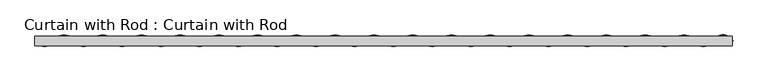
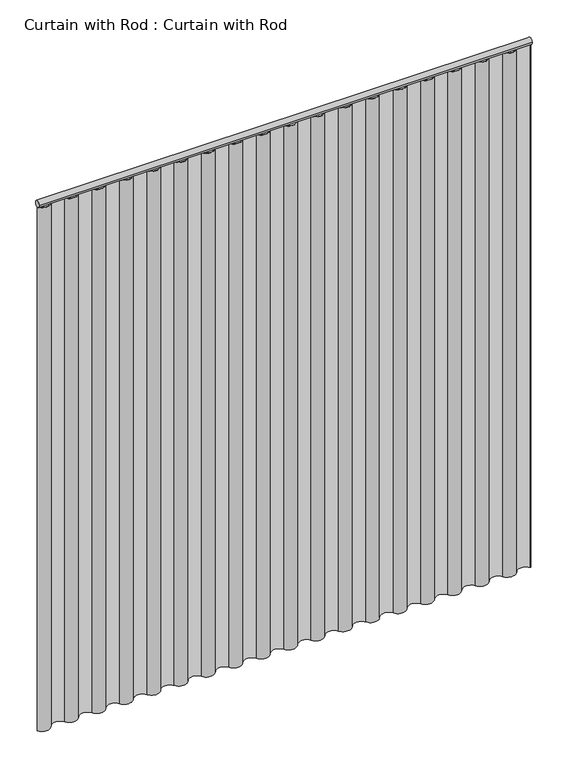
"""IFC4 building model written with IfcOpenShell, lengths in millimetres: proxy geometry, Curtain with Rod : Curtain with Rod."""

from ifc_helpers import new_model, si_unit, point, frame, frame_2d, origin, origin_with_axes, place, context, project, spatial, polyline, circle_curve, trimmed, segment, composite_curve, outline, extrude, source, transform, mapped, element, save


def curtain_with_rod_curtain_with_rod_620b0c98(model_context):
    return source(origin(), model_context, "Body", "SweptSolid", [
        extrude(outline(composite_curve([segment(trimmed(circle_curve(frame_2d((0.0, 2171.7)), 12.7), [point((12.7, 2171.7))], [point((-12.7, 2171.7))], False, "CARTESIAN"), True, "CONTINUOUS"), segment(trimmed(circle_curve(frame_2d((0.0, 2171.7)), 12.7), [point((-12.7, 2171.7))], [point((12.7, 2171.7))], False, "CARTESIAN"), True, "CONTINUOUS")], self_intersect=False)), frame((-961.6428061, 0.0, 0.0), z_axis=(1.0, 0.0, 0.0), x_axis=(0.0, 1.0, 0.0)), (0.0, 0.0, 1.0), 1923.2856122),
        extrude(outline(composite_curve([segment(trimmed(circle_curve(frame_2d((-934.9305059, 15.9107277)), 31.0917712), [point((-908.2182058, 0.0))], [point((-961.6428061, 0.0))], False, "CARTESIAN"), True, "CONTINUOUS"), segment(polyline([(-961.6428061, 0.0), (-959.7764046, 0.0)]), True, "CONTINUOUS"), segment(trimmed(circle_curve(frame_2d((-934.9305059, 15.9107277)), 29.5037275), [point((-959.7764046, 0.0))], [point((-909.5829738, 0.8119678))], True, "CARTESIAN"), True, "CONTINUOUS"), segment(trimmed(circle_curve(frame_2d((-881.5059056, -15.8809613)), 32.664593), [point((-909.5829738, 0.8119678))], [point((-853.4285793, 0.8115335))], False, "CARTESIAN"), True, "CONTINUOUS"), segment(trimmed(circle_curve(frame_2d((-828.0813052, 15.8809613)), 29.4885054), [point((-853.4285793, 0.8115335))], [point((-802.7340312, 0.8115335))], True, "CARTESIAN"), True, "CONTINUOUS"), segment(trimmed(circle_curve(frame_2d((-774.6567049, -15.8809613)), 32.664593), [point((-802.7340312, 0.8115335))], [point((-746.5793786, 0.8115335))], False, "CARTESIAN"), True, "CONTINUOUS"), segment(trimmed(circle_curve(frame_2d((-721.2321046, 15.8809613)), 29.4885054), [point((-746.5793786, 0.8115335))], [point((-695.8848306, 0.8115335))], True, "CARTESIAN"), True, "CONTINUOUS"), segment(trimmed(circle_curve(frame_2d((-667.8075042, -15.8809613)), 32.664593), [point((-695.8848306, 0.8115335))], [point((-639.7301779, 0.8115335))], False, "CARTESIAN"), True, "CONTINUOUS"), segment(trimmed(circle_curve(frame_2d((-614.3829039, 15.8809613)), 29.4885054), [point((-639.7301779, 0.8115335))], [point((-589.0356299, 0.8115335))], True, "CARTESIAN"), True, "CONTINUOUS"), segment(trimmed(circle_curve(frame_2d((-560.9583036, -15.8809613)), 32.664593), [point((-589.0356299, 0.8115335))], [point((-532.8809772, 0.8115335))], False, "CARTESIAN"), True, "CONTINUOUS"), segment(trimmed(circle_curve(frame_2d((-507.5337032, 15.8809613)), 29.4885054), [point((-532.8809772, 0.8115335))], [point((-482.1864292, 0.8115335))], True, "CARTESIAN"), True, "CONTINUOUS"), segment(trimmed(circle_curve(frame_2d((-454.1091029, -15.8809613)), 32.664593), [point((-482.1864292, 0.8115335))], [point((-426.0317766, 0.8115335))], False, "CARTESIAN"), True, "CONTINUOUS"), segment(trimmed(circle_curve(frame_2d((-400.6845025, 15.8809613)), 29.4885054), [point((-426.0317766, 0.8115335))], [point((-375.3372285, 0.8115335))], True, "CARTESIAN"), True, "CONTINUOUS"), segment(trimmed(circle_curve(frame_2d((-347.2599022, -15.8809613)), 32.664593), [point((-375.3372285, 0.8115335))], [point((-319.1825759, 0.8115335))], False, "CARTESIAN"), True, "CONTINUOUS"), segment(trimmed(circle_curve(frame_2d((-293.8353019, 15.8809613)), 29.4885054), [point((-319.1825759, 0.8115335))], [point((-268.4880279, 0.8115335))], True, "CARTESIAN"), True, "CONTINUOUS"), segment(trimmed(circle_curve(frame_2d((-240.4107015, -15.8809613)), 32.664593), [point((-268.4880279, 0.8115335))], [point((-212.3333752, 0.8115335))], False, "CARTESIAN"), True, "CONTINUOUS"), segment(trimmed(circle_curve(frame_2d((-186.9861012, 15.8809613)), 29.4885054), [point((-212.3333752, 0.8115335))], [point((-161.6388272, 0.8115335))], True, "CARTESIAN"), True, "CONTINUOUS"), segment(trimmed(circle_curve(frame_2d((-133.5615008, -15.8809613)), 32.664593), [point((-161.6388272, 0.8115335))], [point((-105.4841745, 0.8115335))], False, "CARTESIAN"), True, "CONTINUOUS"), segment(trimmed(circle_curve(frame_2d((-80.1369005, 15.8809613)), 29.4885054), [point((-105.4841745, 0.8115335))], [point((-54.7896265, 0.8115335))], True, "CARTESIAN"), True, "CONTINUOUS"), segment(trimmed(circle_curve(frame_2d((-26.7123002, -15.8809613)), 32.664593), [point((-54.7896265, 0.8115335))], [point((1.3650262, 0.8115335))], False, "CARTESIAN"), True, "CONTINUOUS"), segment(trimmed(circle_curve(frame_2d((26.7123002, 15.8809613)), 29.4885054), [point((1.3650262, 0.8115335))], [point((52.0595742, 0.8115335))], True, "CARTESIAN"), True, "CONTINUOUS"), segment(trimmed(circle_curve(frame_2d((80.1369005, -15.8809613)), 32.664593), [point((52.0595742, 0.8115335))], [point((108.2142268, 0.8115335))], False, "CARTESIAN"), True, "CONTINUOUS"), segment(trimmed(circle_curve(frame_2d((133.5615008, 15.8809613)), 29.4885054), [point((108.2142268, 0.8115335))], [point((158.9087749, 0.8115335))], True, "CARTESIAN"), True, "CONTINUOUS"), segment(trimmed(circle_curve(frame_2d((186.9861012, -15.8809613)), 32.664593), [point((158.9087749, 0.8115335))], [point((215.0634275, 0.8115335))], False, "CARTESIAN"), True, "CONTINUOUS"), segment(trimmed(circle_curve(frame_2d((240.4107015, 15.8809613)), 29.4885054), [point((215.0634275, 0.8115335))], [point((265.7579755, 0.8115335))], True, "CARTESIAN"), True, "CONTINUOUS"), segment(trimmed(circle_curve(frame_2d((293.8353019, -15.8809613)), 32.664593), [point((265.7579755, 0.8115335))], [point((321.9126282, 0.8115335))], False, "CARTESIAN"), True, "CONTINUOUS"), segment(trimmed(circle_curve(frame_2d((347.2599022, 15.8809613)), 29.4885054), [point((321.9126282, 0.8115335))], [point((372.6071762, 0.8115335))], True, "CARTESIAN"), True, "CONTINUOUS"), segment(trimmed(circle_curve(frame_2d((400.6845025, -15.8809613)), 32.664593), [point((372.6071762, 0.8115335))], [point((428.7618289, 0.8115335))], False, "CARTESIAN"), True, "CONTINUOUS"), segment(trimmed(circle_curve(frame_2d((454.1091029, 15.8809613)), 29.4885054), [point((428.7618289, 0.8115335))], [point((479.4563769, 0.8115335))], True, "CARTESIAN"), True, "CONTINUOUS"), segment(trimmed(circle_curve(frame_2d((507.5337032, -15.8809613)), 32.664593), [point((479.4563769, 0.8115335))], [point((535.6110295, 0.8115335))], False, "CARTESIAN"), True, "CONTINUOUS"), segment(trimmed(circle_curve(frame_2d((560.9583036, 15.8809613)), 29.4885054), [point((535.6110295, 0.8115335))], [point((586.3055776, 0.8115335))], True, "CARTESIAN"), True, "CONTINUOUS"), segment(trimmed(circle_curve(frame_2d((614.3829039, -15.8809613)), 32.664593), [point((586.3055776, 0.8115335))], [point((642.4602302, 0.8115335))], False, "CARTESIAN"), True, "CONTINUOUS"), segment(trimmed(circle_curve(frame_2d((667.8075042, 15.8809613)), 29.4885054), [point((642.4602302, 0.8115335))], [point((693.1547782, 0.8115335))], True, "CARTESIAN"), True, "CONTINUOUS"), segment(trimmed(circle_curve(frame_2d((721.2321046, -15.8809613)), 32.664593), [point((693.1547782, 0.8115335))], [point((749.3094309, 0.8115335))], False, "CARTESIAN"), True, "CONTINUOUS"), segment(trimmed(circle_curve(frame_2d((774.6567049, 15.8809613)), 29.4885054), [point((749.3094309, 0.8115335))], [point((800.0039789, 0.8115335))], True, "CARTESIAN"), True, "CONTINUOUS"), segment(trimmed(circle_curve(frame_2d((828.0813052, -15.8809613)), 32.664593), [point((800.0039789, 0.8115335))], [point((856.1586316, 0.8115335))], False, "CARTESIAN"), True, "CONTINUOUS"), segment(trimmed(circle_curve(frame_2d((881.5059056, 15.8809613)), 29.4885054), [point((856.1586316, 0.8115335))], [point((906.8592902, 0.8218165))], True, "CARTESIAN"), True, "CONTINUOUS"), segment(trimmed(circle_curve(frame_2d((934.9305059, -15.8516381)), 32.6496131), [point((906.8592902, 0.8218165))], [point((963.4738555, 0.0))], False, "CARTESIAN"), True, "CONTINUOUS"), segment(polyline([(963.4738555, 0.0), (961.6428061, 0.0)]), True, "CONTINUOUS"), segment(trimmed(circle_curve(frame_2d((934.9305059, -15.8516381)), 31.0615745), [point((961.6428061, 0.0))], [point((908.2182058, 0.0))], True, "CARTESIAN"), True, "CONTINUOUS"), segment(trimmed(circle_curve(frame_2d((881.5059056, 15.8809613)), 31.0765492), [point((908.2182058, 0.0))], [point((854.7936054, 0.0))], False, "CARTESIAN"), True, "CONTINUOUS"), segment(trimmed(circle_curve(frame_2d((828.0813052, -15.8809613)), 31.0765492), [point((854.7936054, 0.0))], [point((801.3690051, 0.0))], True, "CARTESIAN"), True, "CONTINUOUS"), segment(trimmed(circle_curve(frame_2d((774.6567049, 15.8809613)), 31.0765492), [point((801.3690051, 0.0))], [point((747.9444047, 0.0))], False, "CARTESIAN"), True, "CONTINUOUS"), segment(trimmed(circle_curve(frame_2d((721.2321046, -15.8809613)), 31.0765492), [point((747.9444047, 0.0))], [point((694.5198044, 0.0))], True, "CARTESIAN"), True, "CONTINUOUS"), segment(trimmed(circle_curve(frame_2d((667.8075042, 15.8809613)), 31.0765492), [point((694.5198044, 0.0))], [point((641.0952041, 0.0))], False, "CARTESIAN"), True, "CONTINUOUS"), segment(trimmed(circle_curve(frame_2d((614.3829039, -15.8809613)), 31.0765492), [point((641.0952041, 0.0))], [point((587.6706037, 0.0))], True, "CARTESIAN"), True, "CONTINUOUS"), segment(trimmed(circle_curve(frame_2d((560.9583036, 15.8809613)), 31.0765492), [point((587.6706037, 0.0))], [point((534.2460034, 0.0))], False, "CARTESIAN"), True, "CONTINUOUS"), segment(trimmed(circle_curve(frame_2d((507.5337032, -15.8809613)), 31.0765492), [point((534.2460034, 0.0))], [point((480.821403, 0.0))], True, "CARTESIAN"), True, "CONTINUOUS"), segment(trimmed(circle_curve(frame_2d((454.1091029, 15.8809613)), 31.0765492), [point((480.821403, 0.0))], [point((427.3968027, 0.0))], False, "CARTESIAN"), True, "CONTINUOUS"), segment(trimmed(circle_curve(frame_2d((400.6845025, -15.8809613)), 31.0765492), [point((427.3968027, 0.0))], [point((373.9722024, 0.0))], True, "CARTESIAN"), True, "CONTINUOUS"), segment(trimmed(circle_curve(frame_2d((347.2599022, 15.8809613)), 31.0765492), [point((373.9722024, 0.0))], [point((320.547602, 0.0))], False, "CARTESIAN"), True, "CONTINUOUS"), segment(trimmed(circle_curve(frame_2d((293.8353019, -15.8809613)), 31.0765492), [point((320.547602, 0.0))], [point((267.1230017, 0.0))], True, "CARTESIAN"), True, "CONTINUOUS"), segment(trimmed(circle_curve(frame_2d((240.4107015, 15.8809613)), 31.0765492), [point((267.1230017, 0.0))], [point((213.6984014, 0.0))], False, "CARTESIAN"), True, "CONTINUOUS"), segment(trimmed(circle_curve(frame_2d((186.9861012, -15.8809613)), 31.0765492), [point((213.6984014, 0.0))], [point((160.273801, 0.0))], True, "CARTESIAN"), True, "CONTINUOUS"), segment(trimmed(circle_curve(frame_2d((133.5615008, 15.8809613)), 31.0765492), [point((160.273801, 0.0))], [point((106.8492007, 0.0))], False, "CARTESIAN"), True, "CONTINUOUS"), segment(trimmed(circle_curve(frame_2d((80.1369005, -15.8809613)), 31.0765492), [point((106.8492007, 0.0))], [point((53.4246003, 0.0))], True, "CARTESIAN"), True, "CONTINUOUS"), segment(trimmed(circle_curve(frame_2d((26.7123002, 15.8809613)), 31.0765492), [point((53.4246003, 0.0))], [point((0.0, 0.0))], False, "CARTESIAN"), True, "CONTINUOUS"), segment(trimmed(circle_curve(frame_2d((-26.7123002, -15.8809613)), 31.0765492), [point((0.0, 0.0))], [point((-53.4246003, 0.0))], True, "CARTESIAN"), True, "CONTINUOUS"), segment(trimmed(circle_curve(frame_2d((-80.1369005, 15.8809613)), 31.0765492), [point((-53.4246003, 0.0))], [point((-106.8492007, 0.0))], False, "CARTESIAN"), True, "CONTINUOUS"), segment(trimmed(circle_curve(frame_2d((-133.5615008, -15.8809613)), 31.0765492), [point((-106.8492007, 0.0))], [point((-160.273801, 0.0))], True, "CARTESIAN"), True, "CONTINUOUS"), segment(trimmed(circle_curve(frame_2d((-186.9861012, 15.8809613)), 31.0765492), [point((-160.273801, 0.0))], [point((-213.6984014, 0.0))], False, "CARTESIAN"), True, "CONTINUOUS"), segment(trimmed(circle_curve(frame_2d((-240.4107015, -15.8809613)), 31.0765492), [point((-213.6984014, 0.0))], [point((-267.1230017, 0.0))], True, "CARTESIAN"), True, "CONTINUOUS"), segment(trimmed(circle_curve(frame_2d((-293.8353019, 15.8809613)), 31.0765492), [point((-267.1230017, 0.0))], [point((-320.547602, 0.0))], False, "CARTESIAN"), True, "CONTINUOUS"), segment(trimmed(circle_curve(frame_2d((-347.2599022, -15.8809613)), 31.0765492), [point((-320.547602, 0.0))], [point((-373.9722024, 0.0))], True, "CARTESIAN"), True, "CONTINUOUS"), segment(trimmed(circle_curve(frame_2d((-400.6845025, 15.8809613)), 31.0765492), [point((-373.9722024, 0.0))], [point((-427.3968027, 0.0))], False, "CARTESIAN"), True, "CONTINUOUS"), segment(trimmed(circle_curve(frame_2d((-454.1091029, -15.8809613)), 31.0765492), [point((-427.3968027, 0.0))], [point((-480.821403, 0.0))], True, "CARTESIAN"), True, "CONTINUOUS"), segment(trimmed(circle_curve(frame_2d((-507.5337032, 15.8809613)), 31.0765492), [point((-480.821403, 0.0))], [point((-534.2460034, 0.0))], False, "CARTESIAN"), True, "CONTINUOUS"), segment(trimmed(circle_curve(frame_2d((-560.9583036, -15.8809613)), 31.0765492), [point((-534.2460034, 0.0))], [point((-587.6706037, 0.0))], True, "CARTESIAN"), True, "CONTINUOUS"), segment(trimmed(circle_curve(frame_2d((-614.3829039, 15.8809613)), 31.0765492), [point((-587.6706037, 0.0))], [point((-641.0952041, 0.0))], False, "CARTESIAN"), True, "CONTINUOUS"), segment(trimmed(circle_curve(frame_2d((-667.8075042, -15.8809613)), 31.0765492), [point((-641.0952041, 0.0))], [point((-694.5198044, 0.0))], True, "CARTESIAN"), True, "CONTINUOUS"), segment(trimmed(circle_curve(frame_2d((-721.2321046, 15.8809613)), 31.0765492), [point((-694.5198044, 0.0))], [point((-747.9444047, 0.0))], False, "CARTESIAN"), True, "CONTINUOUS"), segment(trimmed(circle_curve(frame_2d((-774.6567049, -15.8809613)), 31.0765492), [point((-747.9444047, 0.0))], [point((-801.3690051, 0.0))], True, "CARTESIAN"), True, "CONTINUOUS"), segment(trimmed(circle_curve(frame_2d((-828.0813052, 15.8809613)), 31.0765492), [point((-801.3690051, 0.0))], [point((-854.7936054, 0.0))], False, "CARTESIAN"), True, "CONTINUOUS"), segment(trimmed(circle_curve(frame_2d((-881.5059056, -15.8809613)), 31.0765492), [point((-854.7936054, 0.0))], [point((-908.2182058, 0.0))], True, "CARTESIAN"), True, "CONTINUOUS")], self_intersect=False)), origin_with_axes(), (0.0, 0.0, 1.0), 2159.0),
    ])


if __name__ == "__main__":
    model = new_model("IFC4")
    model_context = context("Model", 3, world=origin())
    ifc_project = project(units=[si_unit("LENGTHUNIT", "METRE", prefix="MILLI")], contexts=[model_context])
    site = spatial("IfcSite", under=ifc_project)
    building = spatial("IfcBuilding", under=site)
    placement = place(None, origin())
    curtain_with_rod_curtain_with_rod_shape = curtain_with_rod_curtain_with_rod_620b0c98(model_context)
    element("IfcBuildingElementProxy", 1, Name="Curtain with Rod : Curtain with Rod", ObjectType="Curtain with Rod : Curtain with Rod", at=placement, inside=building, context=model_context, shape_type="MappedRepresentation", body=[
        mapped(curtain_with_rod_curtain_with_rod_shape, transform((0.0, 0.0, 0.0), x_axis=(1.0, 0.0, 0.0), y_axis=(0.0, 1.0, 0.0), z_axis=(0.0, 0.0, 1.0))),
    ])
    save(model, "model.ifc")
